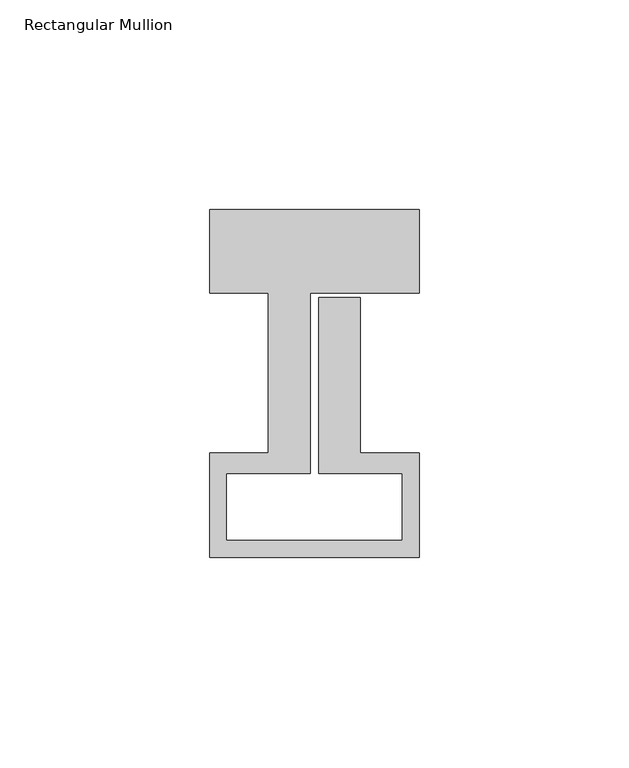
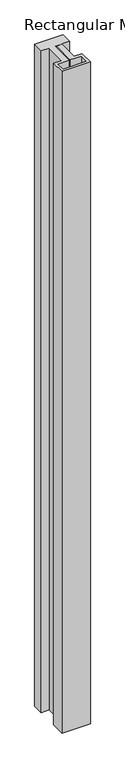
"""IFC4 building model written with IfcOpenShell, lengths in millimetres: member geometry, Rectangular Mullion."""

from ifc_helpers import new_model, si_unit, frame, origin, place, context, project, spatial, polyline, outline, extrude, source, transform, mapped, element, save


def rectangular_mullion_aade91d3(model_context):
    return source(origin(), model_context, "Body", "SweptSolid", [
        extrude(outline(polyline([(-50.0, 58.0), (0.0, 58.0), (0.0, 38.0), (-26.0, 38.0), (-26.0, -5.0), (-46.0, -5.0), (-46.0, -21.0), (-4.0, -21.0), (-4.0, -5.0), (-24.0, -5.0), (-24.0, 37.0), (-14.0, 37.0), (-14.0, -0.1), (0.0, -0.1), (0.0, -25.0), (-50.0, -25.0), (-50.0, -0.1), (-36.0, -0.1), (-36.0, 38.0), (-50.0, 38.0), (-50.0, 58.0)])), frame((0.0, 0.0, -1232.0), z_axis=(0.0, 0.0, 1.0), x_axis=(1.0, 0.0, 0.0)), (0.0, 0.0, 1.0), 1232.0),
    ])


if __name__ == "__main__":
    model = new_model("IFC4")
    model_context = context("Model", 3, world=origin())
    ifc_project = project(units=[si_unit("LENGTHUNIT", "METRE", prefix="MILLI")], contexts=[model_context])
    site = spatial("IfcSite", under=ifc_project)
    building = spatial("IfcBuilding", under=site)
    placement = place(None, origin())
    rectangular_mullion_shape = rectangular_mullion_aade91d3(model_context)
    element("IfcMember", 1, ObjectType="Rectangular Mullion", at=placement, inside=building, context=model_context, shape_type="MappedRepresentation", body=[
        mapped(rectangular_mullion_shape, transform((0.0, 0.0, 0.0), x_axis=(1.0, 0.0, 0.0), y_axis=(0.0, 1.0, 0.0), z_axis=(0.0, 0.0, 1.0))),
    ])
    save(model, "model.ifc")
